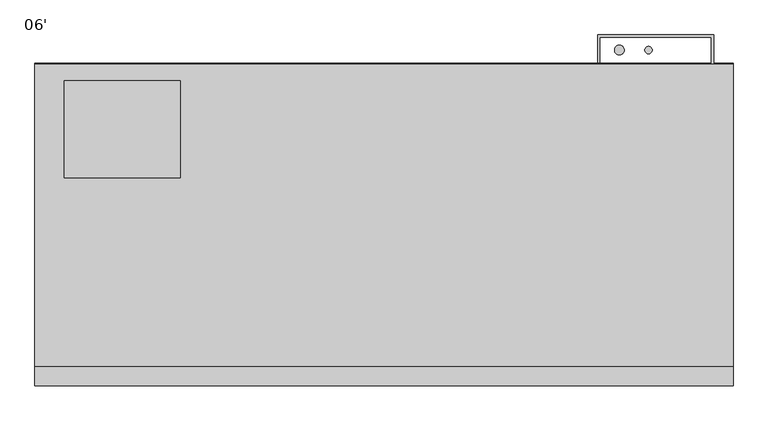
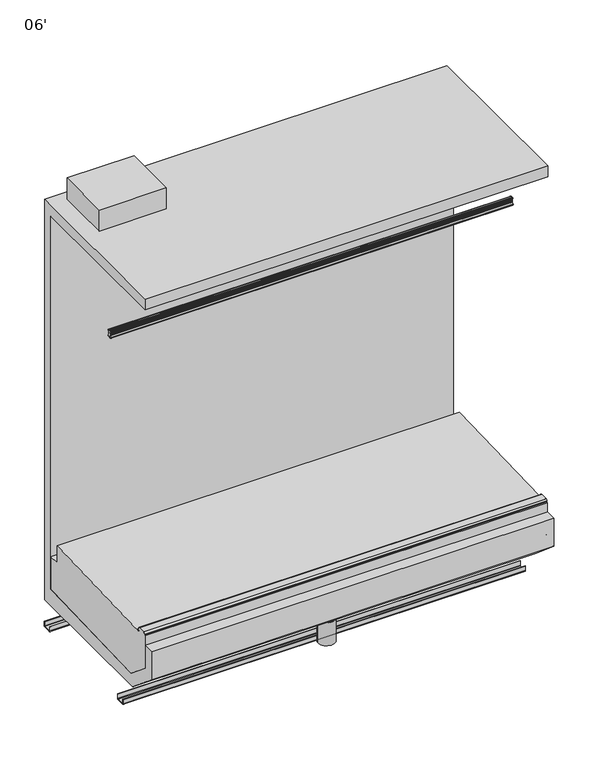
"""IFC4 building model written with IfcOpenShell, lengths in millimetres: proxy geometry, 06'."""

from ifc_helpers import new_model, si_unit, point, frame, frame_2d, origin, origin_with_axes, place, context, project, spatial, polyline, circle_curve, trimmed, segment, composite_curve, outline, extrude, source, transform, mapped, element, save
from ifc_brep_helpers import plane_surface, cylinder_surface, revolved_surface, advanced_brep


def proxy_06_51ff2843(model_context):
    return source(origin(), model_context, "Body", "SolidModel", [
        extrude(outline(polyline([(381.0, -445.9589273), (381.0, -699.9589273), (76.2, -699.9589273), (76.2, -445.9589273), (381.0, -445.9589273)])), frame((0.0, 0.0, 2053.0), z_axis=(0.0, 0.0, 1.0), x_axis=(1.0, 0.0, 0.0)), (0.0, 0.0, 1.0), 101.6),
        extrude(outline(composite_curve([segment(trimmed(circle_curve(frame_2d((124.866634, -515.3253412)), 12.7), [point((112.166634, -515.3253412))], [point((137.566634, -515.3253412))], False, "CARTESIAN"), True, "CONTINUOUS"), segment(trimmed(circle_curve(frame_2d((124.866634, -515.3253412)), 12.7), [point((137.566634, -515.3253412))], [point((112.166634, -515.3253412))], False, "CARTESIAN"), True, "CONTINUOUS")], self_intersect=False)), frame((0.0, 0.0, 68.5310382), z_axis=(0.0, 0.0, 1.0), x_axis=(1.0, 0.0, 0.0)), (0.0, 0.0, 1.0), 6.35),
        extrude(outline(composite_curve([segment(trimmed(circle_curve(frame_2d((162.966634, -515.3253412)), 12.7), [point((150.266634, -515.3253412))], [point((175.666634, -515.3253412))], False, "CARTESIAN"), True, "CONTINUOUS"), segment(trimmed(circle_curve(frame_2d((162.966634, -515.3253412)), 12.7), [point((175.666634, -515.3253412))], [point((150.266634, -515.3253412))], False, "CARTESIAN"), True, "CONTINUOUS")], self_intersect=False)), frame((0.0, 0.0, 68.5310382), z_axis=(0.0, 0.0, 1.0), x_axis=(1.0, 0.0, 0.0)), (0.0, 0.0, 1.0), 6.35),
        advanced_brep(
        [(1828.8, -500.2639658, 449.111638), (1828.8, -1126.5028947, 427.2428927), (1828.8, -1135.3036375, 427.2438499), (1828.8, -1141.6520836, 433.4891442), (1828.8, -1141.6520836, 441.532731), (1828.8, -1148.0014586, 447.882731), (1828.8, -1181.6652736, 447.8860441), (1828.8, -1188.0158985, 441.5367347), (1828.8, -1188.0165653, 435.4058904), (1828.8, -1192.8459273, 435.4064157), (1828.8, -1192.8459273, 281.2500468), (1828.8, -1082.8646206, 188.9647729), (1828.8, -451.7851762, 211.0025527), (1828.8, -451.7851762, 367.1756257), (1828.8, -500.2639658, 367.1756257), (0.0, -500.2639658, 449.111638), (0.0, -500.2639658, 367.1756257), (0.0, -451.7851762, 367.1756257), (0.0, -451.7851762, 211.0025527), (0.0, -1082.8646206, 188.9647729), (0.0, -1192.8459273, 281.2500468), (0.0, -1192.8459273, 435.4064157), (0.0, -1188.0165653, 435.4058904), (0.0, -1188.0158985, 441.5367347), (0.0, -1181.6652736, 447.8860441), (0.0, -1148.0014586, 447.882731), (0.0, -1141.6520836, 441.532731), (0.0, -1141.6520836, 433.4891442), (0.0, -1135.3036375, 427.2438499), (0.0, -1126.5028947, 427.2428927), (1727.2, -451.7851762, 260.35), (1727.2, -451.7851762, 361.95), (1727.2, -471.3589273, 260.35), (1727.2, -471.3589273, 361.95)],
        [
            (0, 1),
            (1, 2),
            (2, 3, circle_curve(frame((1828.8, -1135.3029469, 433.5938498), z_axis=(-1.0, 0.0, 0.0), x_axis=(0.0, 1.0, 0.0)), 6.35)),
            (3, 4),
            (4, 5, circle_curve(frame((1828.8, -1148.0020836, 441.532731), z_axis=(1.0, 0.0, 0.0), x_axis=(0.0, 1.0, 0.0)), 6.35)),
            (5, 6),
            (6, 7, circle_curve(frame((1828.8, -1181.6658985, 441.5360441), z_axis=(1.0, 0.0, 0.0), x_axis=(0.0, 1.0, 0.0)), 6.35)),
            (7, 8),
            (8, 9),
            (9, 10),
            (10, 11),
            (11, 12),
            (12, 13),
            (13, 14),
            (14, 0),
            (15, 16),
            (16, 17),
            (17, 18),
            (18, 19),
            (19, 20),
            (20, 21),
            (21, 22),
            (22, 23),
            (23, 24, circle_curve(frame((0.0, -1181.6658985, 441.5360441), z_axis=(-1.0, 0.0, 0.0), x_axis=(0.0, 1.0, 0.0)), 6.35)),
            (24, 25),
            (25, 26, circle_curve(frame((0.0, -1148.0020836, 441.532731), z_axis=(-1.0, 0.0, 0.0), x_axis=(0.0, 1.0, 0.0)), 6.35)),
            (26, 27),
            (27, 28, circle_curve(frame((0.0, -1135.3029469, 433.5938498), z_axis=(1.0, 0.0, 0.0), x_axis=(0.0, 1.0, 0.0)), 6.35)),
            (28, 29),
            (29, 15),
            (12, 18),
            (17, 13),
            (30, 31, circle_curve(frame((1727.2, -451.7851762, 311.15), z_axis=(0.0, -1.0, 0.0), x_axis=(0.0, 0.0, 1.0)), 50.8)),
            (31, 30, circle_curve(frame((1727.2, -451.7851762, 311.15), z_axis=(0.0, -1.0, 0.0), x_axis=(0.0, 0.0, 1.0)), 50.8)),
            (16, 14),
            (15, 0),
            (9, 21),
            (20, 10),
            (19, 11),
            (29, 1),
            (28, 2),
            (27, 3),
            (4, 26),
            (25, 5),
            (24, 6),
            (23, 7),
            (22, 8),
            (32, 33, circle_curve(frame((1727.2, -471.3589273, 311.15), z_axis=(0.0, 1.0, 0.0), x_axis=(0.0, 0.0, 1.0)), 50.8)),
            (33, 32, circle_curve(frame((1727.2, -471.3589273, 311.15), z_axis=(0.0, 1.0, 0.0), x_axis=(0.0, 0.0, 1.0)), 50.8)),
            (33, 31),
            (30, 32),
        ],
        [
            plane_surface(frame((1828.8, -1126.5028947, 427.2428927), z_axis=(1.0000000000000002, 0.0, 0.0), x_axis=(0.0, -0.9993908270190762, -0.034899496703061944))),
            plane_surface(frame((0.0, -1126.5028947, 427.2428927), z_axis=(-1.0000000000000002, 0.0, 0.0), x_axis=(0.0, 0.9993908270190762, 0.034899496703061944))),
            plane_surface(frame((1828.8, -451.7851762, 211.0025527), z_axis=(0.0, 1.0, 0.0), x_axis=(-1.0, 0.0, 0.0))),
            plane_surface(frame((1828.8, -451.7851762, 367.1756257), z_axis=(0.0, 0.0, 1.0), x_axis=(-1.0, 0.0, 0.0))),
            plane_surface(frame((1828.8, -500.2639658, 367.1756257), z_axis=(0.0, 1.0, 0.0), x_axis=(-1.0, 0.0, 0.0))),
            plane_surface(frame((1828.8, -1192.8459273, 435.4064157), z_axis=(0.0, -1.0, 0.0), x_axis=(-1.0, 0.0, 0.0))),
            plane_surface(frame((1828.8, -1192.8459273, 281.2500468), z_axis=(0.0, -0.6427876096870722, -0.7660444431185309), x_axis=(-1.0, 0.0, 0.0))),
            plane_surface(frame((1828.8, -1082.8646206, 188.9647729), z_axis=(0.0, 0.03489949670246416, -0.999390827019097), x_axis=(-1.0, 0.0, 0.0))),
            plane_surface(frame((1828.8, -500.2639658, 449.111638), z_axis=(0.0, -0.034899496703061944, 0.9993908270190762), x_axis=(-1.0, 0.0, 0.0))),
            plane_surface(frame((1828.8, -1126.5028947, 427.2428927), z_axis=(0.0, 0.00010875852496434941, 0.9999999940857917), x_axis=(-1.0, 0.0, 0.0))),
            revolved_surface(polyline([(0.0, -1128.9529469000001, 433.5938498), (1828.8, -1128.9529469000001, 433.5938498)]), (0.0, -1135.3029469, 433.5938498), (-1.0, 0.0, 0.0)),
            cylinder_surface(frame((0.0, -1148.0020836, 441.532731), z_axis=(1.0, 0.0, 0.0), x_axis=(0.0, 1.0, 0.0)), 6.35),
            plane_surface(frame((1828.8, -1148.0014586, 447.882731), z_axis=(0.0, 9.841684243872936e-05, 0.9999999951570626), x_axis=(-1.0, 0.0, 0.0))),
            cylinder_surface(frame((0.0, -1181.6658985, 441.5360441), z_axis=(1.0, 0.0, 0.0), x_axis=(0.0, 1.0, 0.0)), 6.35),
            plane_surface(frame((1828.8, -1188.0158985, 441.5367347), z_axis=(0.0, -0.9999999940857938, 0.00010875850531839876), x_axis=(-1.0, 0.0, 0.0))),
            plane_surface(frame((1828.8, -1188.0165653, 435.4058904), z_axis=(0.0, 0.00010875840003332278, 0.9999999940858052), x_axis=(-1.0, 0.0, 0.0))),
            plane_surface(frame((1828.8, -1141.6520836, 433.4891442), z_axis=(0.0, 1.0, 0.0), x_axis=(-1.0, 0.0, 0.0))),
            plane_surface(frame((1727.2, -471.3589273, 361.95), z_axis=(0.0, 1.0, 0.0), x_axis=(-1.0, 0.0, 0.0))),
            revolved_surface(polyline([(1727.2, -471.3589273, 361.95), (1727.2, -451.7851762, 361.95)]), (1727.2, -381.990496, 311.15), (0.0, -1.0, 0.0)),
        ],
        [
            (0, [[1, 2, 3, 4, 5, 6, 7, 8, 9, 10, 11, 12, 13, 14, 15]]),
            (1, [[16, 17, 18, 19, 20, 21, 22, 23, 24, 25, 26, 27, 28, 29, 30]]),
            (2, [[-13, 31, -18, 32], [33, 34]]),
            (3, [[-14, -32, -17, 35]]),
            (4, [[-15, -35, -16, 36]]),
            (5, [[-10, 37, -21, 38]]),
            (6, [[-11, -38, -20, 39]]),
            (7, [[-12, -39, -19, -31]]),
            (8, [[-1, -36, -30, 40]]),
            (9, [[-2, -40, -29, 41]]),
            (10, [[-3, -41, -28, 42]]),
            (11, [[-5, 43, -26, 44]]),
            (12, [[-6, -44, -25, 45]]),
            (13, [[-7, -45, -24, 46]]),
            (14, [[-8, -46, -23, 47]]),
            (15, [[-9, -47, -22, -37]]),
            (16, [[-4, -42, -27, -43]]),
            (17, [[48, 49]]),
            (18, [[-49, 50, -33, 51]]),
            (18, [[-48, -51, -34, -50]]),
        ],
    ),
        advanced_brep(
        [(1828.8, -1093.449669, 130.175), (1828.8, -401.5089273, 130.175), (1828.8, -401.5089273, 2053.0), (1828.8, -1193.4788424, 2053.0), (1828.8, -1193.4788424, 2000.9165757), (1828.8, -451.7851762, 2000.9165757), (1828.8, -451.7851762, 211.0025527), (1828.8, -1082.8646206, 188.9647729), (1828.8, -1192.8459273, 281.2500468), (1828.8, -1192.8459273, 391.0306785), (1828.8, -1243.8542655, 391.0306785), (1828.8, -1243.8542655, 256.3794415), (0.0, -1093.449669, 130.175), (0.0, -1243.8542655, 256.3794415), (0.0, -1243.8542655, 391.0306785), (0.0, -1192.8459273, 391.0306785), (0.0, -1192.8459273, 281.2500468), (0.0, -1082.8646206, 188.9647729), (0.0, -451.7851762, 211.0025527), (0.0, -451.7851762, 2000.9165757), (0.0, -1193.4788424, 2000.9165757), (0.0, -1193.4788424, 2053.0), (0.0, -401.5089273, 2053.0), (0.0, -401.5089273, 130.175), (1727.2, -401.5089273, 260.35), (1727.2, -401.5089273, 361.95), (1727.2, -451.7851762, 361.95), (1727.2, -451.7851762, 260.35)],
        [
            (0, 1),
            (1, 2),
            (2, 3),
            (3, 4),
            (4, 5),
            (5, 6),
            (6, 7),
            (7, 8),
            (8, 9),
            (9, 10),
            (10, 11),
            (11, 0),
            (12, 13),
            (13, 14),
            (14, 15),
            (15, 16),
            (16, 17),
            (17, 18),
            (18, 19),
            (19, 20),
            (20, 21),
            (21, 22),
            (22, 23),
            (23, 12),
            (0, 12),
            (23, 1),
            (22, 2),
            (24, 25, circle_curve(frame((1727.2, -401.5089273, 311.15), z_axis=(0.0, -1.0, 0.0), x_axis=(0.0, 0.0, 1.0)), 50.8)),
            (25, 24, circle_curve(frame((1727.2, -401.5089273, 311.15), z_axis=(0.0, -1.0, 0.0), x_axis=(0.0, 0.0, 1.0)), 50.8)),
            (21, 3),
            (20, 4),
            (19, 5),
            (18, 6),
            (26, 27, circle_curve(frame((1727.2, -451.7851762, 311.15), z_axis=(0.0, 1.0, 0.0), x_axis=(0.0, 0.0, 1.0)), 50.8)),
            (27, 26, circle_curve(frame((1727.2, -451.7851762, 311.15), z_axis=(0.0, 1.0, 0.0), x_axis=(0.0, 0.0, 1.0)), 50.8)),
            (17, 7),
            (16, 8),
            (15, 9),
            (14, 10),
            (13, 11),
            (24, 27),
            (26, 25),
        ],
        [
            plane_surface(frame((1828.8, -401.5089273, 130.175), z_axis=(1.0, 0.0, 0.0), x_axis=(0.0, 1.0, 0.0))),
            plane_surface(frame((0.0, -401.5089273, 130.175), z_axis=(-1.0, 0.0, 0.0), x_axis=(0.0, -1.0, 0.0))),
            plane_surface(frame((1828.8, -1093.449669, 130.175), z_axis=(0.0, 0.0, -1.0), x_axis=(-1.0, 0.0, 0.0))),
            plane_surface(frame((1828.8, -401.5089273, 130.175), z_axis=(0.0, 1.0, 0.0), x_axis=(-1.0, 0.0, 0.0))),
            plane_surface(frame((1828.8, -401.5089273, 2053.0), z_axis=(0.0, 0.0, 1.0), x_axis=(-1.0, 0.0, 0.0))),
            plane_surface(frame((1828.8, -1193.4788424, 2053.0), z_axis=(0.0, -1.0, 0.0), x_axis=(-1.0, 0.0, 0.0))),
            plane_surface(frame((1828.8, -1193.4788424, 2000.9165757), z_axis=(0.0, 0.0, -1.0), x_axis=(-1.0, 0.0, 0.0))),
            plane_surface(frame((1828.8, -451.7851762, 2000.9165757), z_axis=(0.0, -1.0, 0.0), x_axis=(-1.0, 0.0, 0.0))),
            plane_surface(frame((1828.8, -451.7851762, 211.0025527), z_axis=(0.0, -0.03489949670246416, 0.999390827019097), x_axis=(-1.0, 0.0, 0.0))),
            plane_surface(frame((1828.8, -1082.8646206, 188.9647729), z_axis=(0.0, 0.6427876096870722, 0.7660444431185309), x_axis=(-1.0, 0.0, 0.0))),
            plane_surface(frame((1828.8, -1192.8459273, 281.2500468), z_axis=(0.0, 1.0, 0.0), x_axis=(-1.0, 0.0, 0.0))),
            plane_surface(frame((1828.8, -1192.8459273, 391.0306785), z_axis=(0.0, 0.0, 1.0), x_axis=(-1.0, 0.0, 0.0))),
            plane_surface(frame((1828.8, -1243.8542655, 391.0306785), z_axis=(0.0, -1.0, 0.0), x_axis=(-1.0, 0.0, 0.0))),
            plane_surface(frame((1828.8, -1243.8542655, 256.3794415), z_axis=(0.0, -0.6427876096870824, -0.7660444431185224), x_axis=(-1.0, 0.0, 0.0))),
            revolved_surface(polyline([(1727.2, -451.7851762, 361.95), (1727.2, -401.5089273, 361.95)]), (1727.2, -381.990496, 311.15), (0.0, -1.0, 0.0)),
        ],
        [
            (0, [[1, 2, 3, 4, 5, 6, 7, 8, 9, 10, 11, 12]]),
            (1, [[13, 14, 15, 16, 17, 18, 19, 20, 21, 22, 23, 24]]),
            (2, [[-1, 25, -24, 26]]),
            (3, [[-2, -26, -23, 27], [28, 29]]),
            (4, [[-3, -27, -22, 30]]),
            (5, [[-4, -30, -21, 31]]),
            (6, [[-5, -31, -20, 32]]),
            (7, [[-6, -32, -19, 33], [34, 35]]),
            (8, [[-7, -33, -18, 36]]),
            (9, [[-8, -36, -17, 37]]),
            (10, [[-9, -37, -16, 38]]),
            (11, [[-10, -38, -15, 39]]),
            (12, [[-11, -39, -14, 40]]),
            (13, [[-12, -40, -13, -25]]),
            (14, [[41, -34, 42, -28]]),
            (14, [[-41, -29, -42, -35]]),
        ],
    ),
        extrude(outline(composite_curve([segment(polyline([(-401.5089273, 24.892), (-398.7403273, 24.892), (-398.7403273, 5.1562)]), True, "CONTINUOUS"), segment(trimmed(circle_curve(frame_2d((-403.8965273, 5.1562)), 5.1562), [point((-398.7403273, 5.1562))], [point((-399.435967, 2.5697351))], False, "CARTESIAN"), True, "CONTINUOUS"), segment(trimmed(circle_curve(frame_2d((-403.8965273, 5.1562)), 5.1562), [point((-399.435967, 2.5697351))], [point((-403.8965273, 0.0))], False, "CARTESIAN"), True, "CONTINUOUS"), segment(polyline([(-403.8965273, 0.0), (-438.8088273, 0.0)]), True, "CONTINUOUS"), segment(trimmed(circle_curve(frame_2d((-438.8088273, 5.1562)), 5.1562), [point((-438.8088273, 0.0))], [point((-443.9650273, 5.1562))], False, "CARTESIAN"), True, "CONTINUOUS"), segment(polyline([(-443.9650273, 5.1562), (-443.9650273, 24.9047), (-441.1964273, 24.9047), (-441.1964273, 5.1562)]), True, "CONTINUOUS"), segment(trimmed(circle_curve(frame_2d((-438.8088273, 5.1562)), 2.3876), [point((-441.1964273, 5.1562))], [point((-438.8088273, 2.7686))], True, "CARTESIAN"), True, "CONTINUOUS"), segment(polyline([(-438.8088273, 2.7686), (-403.8965273, 2.7686)]), True, "CONTINUOUS"), segment(trimmed(circle_curve(frame_2d((-403.8965273, 5.1562)), 2.3876), [point((-403.8965273, 2.7686))], [point((-401.5089273, 5.1562))], True, "CARTESIAN"), True, "CONTINUOUS"), segment(polyline([(-401.5089273, 5.1562), (-401.5089273, 24.892)]), True, "CONTINUOUS")], self_intersect=False)), frame((0.0, 0.0, 0.0), z_axis=(1.0, 0.0, 0.0), x_axis=(0.0, 1.0, 0.0)), (0.0, 0.0, 1.0), 1828.8),
        extrude(outline(composite_curve([segment(trimmed(circle_curve(frame_2d((914.4, -1036.5089273)), 38.1), [point((876.3, -1036.5089273))], [point((952.5, -1036.5089273))], False, "CARTESIAN"), True, "CONTINUOUS"), segment(trimmed(circle_curve(frame_2d((914.4, -1036.5089273)), 38.1), [point((952.5, -1036.5089273))], [point((876.3, -1036.5089273))], False, "CARTESIAN"), True, "CONTINUOUS")], self_intersect=False)), origin_with_axes(), (0.0, 0.0, 1.0), 109.7534),
        extrude(outline(composite_curve([segment(trimmed(circle_curve(frame_2d((311.15, 1750.0101353)), 12.7), [point((298.45, 1750.0101353))], [point((323.85, 1750.0101353))], False, "CARTESIAN"), True, "CONTINUOUS"), segment(trimmed(circle_curve(frame_2d((311.15, 1750.0101353)), 12.7), [point((323.85, 1750.0101353))], [point((298.45, 1750.0101353))], False, "CARTESIAN"), True, "CONTINUOUS")], self_intersect=False)), frame((0.0, -471.3589273, 0.0), z_axis=(0.0, 1.0, 0.0), x_axis=(0.0, 0.0, 1.0)), (0.0, 0.0, 1.0), 69.85),
        extrude(outline(composite_curve([segment(trimmed(circle_curve(frame_2d((311.15, 1704.3898647)), 9.525), [point((301.625, 1704.3898647))], [point((320.675, 1704.3898647))], False, "CARTESIAN"), True, "CONTINUOUS"), segment(trimmed(circle_curve(frame_2d((311.15, 1704.3898647)), 9.525), [point((320.675, 1704.3898647))], [point((301.625, 1704.3898647))], False, "CARTESIAN"), True, "CONTINUOUS")], self_intersect=False)), frame((0.0, -471.3589273, 0.0), z_axis=(0.0, 1.0, 0.0), x_axis=(0.0, 0.0, 1.0)), (0.0, 0.0, 1.0), 69.85),
        extrude(outline(polyline([(1772.218325, -330.9058645), (1480.118325, -330.9058645), (1480.118325, -398.7403273), (1473.768325, -398.7403273), (1473.768325, -325.3089273), (1778.568325, -325.3089273), (1778.568325, -401.5089273), (1772.218325, -401.5089273), (1772.218325, -330.9058645)])), frame((0.0, 0.0, 206.3320589), z_axis=(0.0, 0.0, 1.0), x_axis=(1.0, 0.0, 0.0)), (0.0, 0.0, 1.0), 1452.7159789),
        extrude(outline(composite_curve([segment(trimmed(circle_curve(frame_2d((1530.918325, -364.899036)), 12.7), [point((1518.218325, -364.899036))], [point((1543.618325, -364.899036))], False, "CARTESIAN"), True, "CONTINUOUS"), segment(trimmed(circle_curve(frame_2d((1530.918325, -364.899036)), 12.7), [point((1543.618325, -364.899036))], [point((1518.218325, -364.899036))], False, "CARTESIAN"), True, "CONTINUOUS")], self_intersect=False)), frame((0.0, 0.0, 1562.7753116), z_axis=(0.0, 0.0, 1.0), x_axis=(1.0, 0.0, 0.0)), (0.0, 0.0, 1.0), 159.9413001),
        extrude(outline(composite_curve([segment(trimmed(circle_curve(frame_2d((1607.118325, -364.899036)), 9.525), [point((1597.593325, -364.899036))], [point((1616.643325, -364.899036))], False, "CARTESIAN"), True, "CONTINUOUS"), segment(trimmed(circle_curve(frame_2d((1607.118325, -364.899036)), 9.525), [point((1616.643325, -364.899036))], [point((1597.593325, -364.899036))], False, "CARTESIAN"), True, "CONTINUOUS")], self_intersect=False)), frame((0.0, 0.0, 1562.7753116), z_axis=(0.0, 0.0, 1.0), x_axis=(1.0, 0.0, 0.0)), (0.0, 0.0, 1.0), 159.9413001),
        extrude(outline(composite_curve([segment(polyline([(-977.7506561, 24.892), (-974.9820561, 24.892), (-974.9820561, 5.1562)]), True, "CONTINUOUS"), segment(trimmed(circle_curve(frame_2d((-980.1382561, 5.1562)), 5.1562), [point((-974.9820561, 5.1562))], [point((-975.6776958, 2.5697351))], False, "CARTESIAN"), True, "CONTINUOUS"), segment(trimmed(circle_curve(frame_2d((-980.1382561, 5.1562)), 5.1562), [point((-975.6776958, 2.5697351))], [point((-980.1382561, 0.0))], False, "CARTESIAN"), True, "CONTINUOUS"), segment(polyline([(-980.1382561, 0.0), (-1015.0505561, 0.0)]), True, "CONTINUOUS"), segment(trimmed(circle_curve(frame_2d((-1015.0505561, 5.1562)), 5.1562), [point((-1015.0505561, 0.0))], [point((-1020.2067561, 5.1562))], False, "CARTESIAN"), True, "CONTINUOUS"), segment(polyline([(-1020.2067561, 5.1562), (-1020.2067561, 24.9047), (-1017.4381561, 24.9047), (-1017.4381561, 5.1562)]), True, "CONTINUOUS"), segment(trimmed(circle_curve(frame_2d((-1015.0505561, 5.1562)), 2.3876), [point((-1017.4381561, 5.1562))], [point((-1015.0505561, 2.7686))], True, "CARTESIAN"), True, "CONTINUOUS"), segment(polyline([(-1015.0505561, 2.7686), (-980.1382561, 2.7686)]), True, "CONTINUOUS"), segment(trimmed(circle_curve(frame_2d((-980.1382561, 5.1562)), 2.3876), [point((-980.1382561, 2.7686))], [point((-977.7506561, 5.1562))], True, "CARTESIAN"), True, "CONTINUOUS"), segment(polyline([(-977.7506561, 5.1562), (-977.7506561, 24.892)]), True, "CONTINUOUS")], self_intersect=False)), frame((0.0, 0.0, 0.0), z_axis=(1.0, 0.0, 0.0), x_axis=(0.0, 1.0, 0.0)), (0.0, 0.0, 1.0), 1828.8),
        advanced_brep(
        [(1828.8, -902.6931295, 1727.3075286), (1828.8, -901.7243099, 1727.6885286), (1828.8, -902.8390735, 1730.5231871), (1828.8, -905.9012623, 1732.6167077), (1828.8, -908.3652606, 1732.6247138), (1828.8, -908.3652606, 1704.0828354), (1828.8, -910.4874517, 1701.5774341), (1828.8, -914.7493725, 1700.8731899), (1828.8, -917.4469208, 1704.4916046), (1828.8, -914.3596606, 1717.0478082), (1828.8, -914.3596606, 1732.6247138), (1828.8, -919.5201751, 1732.6247138), (1828.8, -920.545241, 1732.1045613), (1828.8, -921.6281952, 1729.8544831), (1828.8, -920.6442857, 1729.6607751), (1828.8, -920.0507066, 1731.2579447), (1828.8, -919.2029406, 1731.4273519), (1828.8, -917.1624717, 1728.3298316), (1828.8, -916.2734717, 1728.3298316), (1828.8, -916.2734717, 1723.5154593), (1828.8, -915.4867719, 1723.3208329), (1828.8, -916.2860613, 1720.0900228), (1828.8, -916.3394429, 1717.0318787), (1828.8, -916.382618, 1715.9093735), (1828.8, -916.5259319, 1714.2657553), (1828.8, -916.9841164, 1711.5098777), (1828.8, -917.3803385, 1709.9083074), (1828.8, -921.1921567, 1701.6305848), (1828.8, -922.0946495, 1701.7496918), (1828.8, -922.5752577, 1703.1954368), (1828.8, -923.5448561, 1702.9314817), (1828.8, -923.1493051, 1701.7804452), (1828.8, -917.5263496, 1698.0213504), (1828.8, -904.9718522, 1700.0874013), (1828.8, -902.4051937, 1702.2161722), (1828.8, -901.4299592, 1704.8954615), (1828.8, -902.4324233, 1705.2603286), (1828.8, -903.2891388, 1703.4720652), (1828.8, -906.910186, 1704.3817952), (1828.8, -907.0320908, 1728.1919806), (1828.8, -903.357335, 1728.9956276), (0.0, -902.6931295, 1727.3075286), (0.0, -903.357335, 1728.9956276), (0.0, -907.0320908, 1728.1919806), (0.0, -906.910186, 1704.3817952), (0.0, -903.2891388, 1703.4720652), (0.0, -902.4324233, 1705.2603286), (0.0, -901.4299592, 1704.8954615), (0.0, -902.4051937, 1702.2161722), (0.0, -904.9718522, 1700.0874013), (0.0, -917.5263496, 1698.0213504), (0.0, -923.149286, 1701.7804537), (0.0, -923.5448561, 1702.9314817), (0.0, -922.5752577, 1703.1954368), (0.0, -922.0946495, 1701.7496918), (0.0, -921.1921848, 1701.6306037), (0.0, -917.3803385, 1709.9083074), (0.0, -916.9841164, 1711.5098777), (0.0, -916.5259319, 1714.2657553), (0.0, -916.382618, 1715.9093735), (0.0, -916.3394429, 1717.0318787), (0.0, -916.2860613, 1720.0900228), (0.0, -915.4867719, 1723.3208329), (0.0, -916.2734717, 1723.5154593), (0.0, -916.2734717, 1728.3298316), (0.0, -917.1624717, 1728.3298316), (0.0, -919.2029343, 1731.4273578), (0.0, -920.0507066, 1731.2579447), (0.0, -920.6442857, 1729.6607751), (0.0, -921.6281903, 1729.8544818), (0.0, -920.5452539, 1732.1045707), (0.0, -919.5201751, 1732.6247012), (0.0, -914.3596606, 1732.6247138), (0.0, -914.3596606, 1717.0478082), (0.0, -917.4469208, 1704.4916046), (0.0, -914.7493725, 1700.8731899), (0.0, -910.4874517, 1701.5774341), (0.0, -908.3652606, 1704.0828354), (0.0, -908.3652606, 1732.6247138), (0.0, -905.9012623, 1732.6167077), (0.0, -902.8390735, 1730.5231871), (0.0, -901.7243099, 1727.6885286)],
        [
            (0, 1),
            (1, 2),
            (2, 3, circle_curve(frame((1828.8, -905.9119913, 1729.3147251), z_axis=(1.0, 0.0, 0.0), x_axis=(0.0, 1.0, 0.0)), 3.302)),
            (3, 4),
            (4, 5),
            (5, 6, circle_curve(frame((1828.8, -910.9052606, 1704.0828354), z_axis=(-1.0, 0.0, 0.0), x_axis=(0.0, 1.0, 0.0)), 2.54)),
            (6, 7),
            (7, 8, circle_curve(frame((1828.8, -915.163469, 1703.3792046), z_axis=(-1.0, 0.0, 0.0), x_axis=(0.0, 1.0, 0.0)), 2.5399972)),
            (8, 9, circle_curve(frame((1828.8, -945.8394817, 1718.130276), z_axis=(1.0, 0.0, 0.0), x_axis=(0.0, 1.0, 0.0)), 31.4984265)),
            (9, 10),
            (10, 11),
            (11, 12, circle_curve(frame((1828.8, -919.5202548, 1731.3547138), z_axis=(1.0, 0.0, 0.0), x_axis=(0.0, 1.0, 0.0)), 1.2699874)),
            (12, 13, circle_curve(frame((1828.8, -915.0105356, 1728.0551268), z_axis=(1.0, 0.0, 0.0), x_axis=(0.0, 1.0, 0.0)), 6.8579226)),
            (13, 14, circle_curve(frame((1828.8, -921.143137, 1729.722586), z_axis=(1.0, 0.0, 0.0), x_axis=(0.0, 1.0, 0.0)), 0.5026661)),
            (14, 15),
            (15, 16, circle_curve(frame((1828.8, -919.5745346, 1731.080978), z_axis=(-1.0, 0.0, 0.0), x_axis=(0.0, 1.0, 0.0)), 0.5079931)),
            (16, 17, circle_curve(frame((1828.8, -927.3217632, 1723.8583356), z_axis=(-1.0, 0.0, 0.0), x_axis=(0.0, 1.0, 0.0)), 11.0997964)),
            (17, 18),
            (18, 19),
            (19, 20),
            (20, 21),
            (21, 22),
            (22, 23, circle_curve(frame((1828.8, -944.909409, 1717.568686), z_axis=(-1.0, 0.0, 0.0), x_axis=(0.0, 1.0, 0.0)), 28.5750087)),
            (23, 24, circle_curve(frame((1828.8, -916.847274, 1715.1218316), z_axis=(-1.0, 0.0, 0.0), x_axis=(0.0, 1.0, 0.0)), 0.9144)),
            (24, 25, circle_curve(frame((1828.8, -944.909409, 1717.568686), z_axis=(-1.0, 0.0, 0.0), x_axis=(0.0, 1.0, 0.0)), 28.5750087)),
            (25, 26, circle_curve(frame((1828.8, -917.5651726, 1710.8038316), z_axis=(-1.0, 0.0, 0.0), x_axis=(0.0, 1.0, 0.0)), 0.9144)),
            (26, 27, circle_curve(frame((1828.8, -944.909409, 1717.568686), z_axis=(-1.0, 0.0, 0.0), x_axis=(0.0, 1.0, 0.0)), 28.5750087)),
            (27, 28, circle_curve(frame((1828.8, -921.6139006, 1701.9138278), z_axis=(-1.0, 0.0, 0.0), x_axis=(0.0, 1.0, 0.0)), 0.5079962)),
            (28, 29),
            (29, 30, circle_curve(frame((1828.8, -923.0561634, 1703.049157), z_axis=(1.0, 0.0, 0.0), x_axis=(0.0, 1.0, 0.0)), 0.502661)),
            (30, 31, circle_curve(frame((1828.8, -916.8870114, 1704.575951), z_axis=(1.0, 0.0, 0.0), x_axis=(0.0, 1.0, 0.0)), 6.857928)),
            (31, 32, circle_curve(frame((1828.8, -917.3508154, 1704.3689156), z_axis=(1.0, 0.0, 0.0), x_axis=(0.0, 1.0, 0.0)), 6.3499919)),
            (32, 33),
            (33, 34, circle_curve(frame((1828.8, -905.508039, 1703.3455768), z_axis=(1.0, 0.0, 0.0), x_axis=(0.0, 1.0, 0.0)), 3.302)),
            (34, 35),
            (35, 36),
            (36, 37),
            (37, 38, circle_curve(frame((1828.8, -905.0071585, 1704.2951286), z_axis=(-1.0, 0.0, 0.0), x_axis=(0.0, 1.0, 0.0)), 1.905)),
            (38, 39, circle_curve(frame((1828.8, -1141.9102596, 1715.0840326), z_axis=(1.0, 0.0, 0.0), x_axis=(0.0, 1.0, 0.0)), 235.2436449)),
            (39, 40, circle_curve(frame((1828.8, -905.1300505, 1728.2981286), z_axis=(-1.0, 0.0, 0.0), x_axis=(0.0, 1.0, 0.0)), 1.905)),
            (40, 0),
            (41, 42),
            (42, 43, circle_curve(frame((0.0, -905.1300505, 1728.2981286), z_axis=(1.0, 0.0, 0.0), x_axis=(0.0, 1.0, 0.0)), 1.905)),
            (43, 44, circle_curve(frame((0.0, -1141.9102596, 1715.0840326), z_axis=(-1.0, 0.0, 0.0), x_axis=(0.0, 1.0, 0.0)), 235.2436449)),
            (44, 45, circle_curve(frame((0.0, -905.0071585, 1704.2951286), z_axis=(1.0, 0.0, 0.0), x_axis=(0.0, 1.0, 0.0)), 1.905)),
            (45, 46),
            (46, 47),
            (47, 48),
            (48, 49, circle_curve(frame((0.0, -905.508039, 1703.3455768), z_axis=(-1.0, 0.0, 0.0), x_axis=(0.0, 1.0, 0.0)), 3.302)),
            (49, 50),
            (50, 51, circle_curve(frame((0.0, -917.3508154, 1704.3689156), z_axis=(-1.0, 0.0, 0.0), x_axis=(0.0, 1.0, 0.0)), 6.3499919)),
            (51, 52, circle_curve(frame((0.0, -916.8870114, 1704.575951), z_axis=(-1.0, 0.0, 0.0), x_axis=(0.0, 1.0, 0.0)), 6.857928)),
            (52, 53, circle_curve(frame((0.0, -923.0561634, 1703.049157), z_axis=(-1.0, 0.0, 0.0), x_axis=(0.0, 1.0, 0.0)), 0.502661)),
            (53, 54),
            (54, 55, circle_curve(frame((0.0, -921.6139006, 1701.9138278), z_axis=(1.0, 0.0, 0.0), x_axis=(0.0, 1.0, 0.0)), 0.5079962)),
            (55, 56, circle_curve(frame((0.0, -944.909409, 1717.568686), z_axis=(1.0, 0.0, 0.0), x_axis=(0.0, 1.0, 0.0)), 28.5750087)),
            (56, 57, circle_curve(frame((0.0, -917.5651726, 1710.8038316), z_axis=(1.0, 0.0, 0.0), x_axis=(0.0, 1.0, 0.0)), 0.9144)),
            (57, 58, circle_curve(frame((0.0, -944.909409, 1717.568686), z_axis=(1.0, 0.0, 0.0), x_axis=(0.0, 1.0, 0.0)), 28.5750087)),
            (58, 59, circle_curve(frame((0.0, -916.847274, 1715.1218316), z_axis=(1.0, 0.0, 0.0), x_axis=(0.0, 1.0, 0.0)), 0.9144)),
            (59, 60, circle_curve(frame((0.0, -944.909409, 1717.568686), z_axis=(1.0, 0.0, 0.0), x_axis=(0.0, 1.0, 0.0)), 28.5750087)),
            (60, 61),
            (61, 62),
            (62, 63),
            (63, 64),
            (64, 65),
            (65, 66, circle_curve(frame((0.0, -927.3217632, 1723.8583356), z_axis=(1.0, 0.0, 0.0), x_axis=(0.0, 1.0, 0.0)), 11.0997964)),
            (66, 67, circle_curve(frame((0.0, -919.5745346, 1731.080978), z_axis=(1.0, 0.0, 0.0), x_axis=(0.0, 1.0, 0.0)), 0.5079931)),
            (67, 68),
            (68, 69, circle_curve(frame((0.0, -921.143137, 1729.722586), z_axis=(-1.0, 0.0, 0.0), x_axis=(0.0, 1.0, 0.0)), 0.5026661)),
            (69, 70, circle_curve(frame((0.0, -915.0105356, 1728.0551268), z_axis=(-1.0, 0.0, 0.0), x_axis=(0.0, 1.0, 0.0)), 6.8579226)),
            (70, 71, circle_curve(frame((0.0, -919.5202548, 1731.3547138), z_axis=(-1.0, 0.0, 0.0), x_axis=(0.0, 1.0, 0.0)), 1.2699874)),
            (71, 72),
            (72, 73),
            (73, 74, circle_curve(frame((0.0, -945.8394817, 1718.130276), z_axis=(-1.0, 0.0, 0.0), x_axis=(0.0, 1.0, 0.0)), 31.4984265)),
            (74, 75, circle_curve(frame((0.0, -915.163469, 1703.3792046), z_axis=(1.0, 0.0, 0.0), x_axis=(0.0, 1.0, 0.0)), 2.5399972)),
            (75, 76),
            (76, 77, circle_curve(frame((0.0, -910.9052606, 1704.0828354), z_axis=(1.0, 0.0, 0.0), x_axis=(0.0, 1.0, 0.0)), 2.54)),
            (77, 78),
            (78, 79),
            (79, 80, circle_curve(frame((0.0, -905.9119913, 1729.3147251), z_axis=(-1.0, 0.0, 0.0), x_axis=(0.0, 1.0, 0.0)), 3.302)),
            (80, 81),
            (81, 41),
            (0, 41),
            (81, 1),
            (80, 2),
            (79, 3),
            (78, 4),
            (77, 5),
            (76, 6),
            (75, 7),
            (74, 8),
            (73, 9),
            (72, 10),
            (71, 11),
            (70, 12),
            (69, 13),
            (68, 14),
            (67, 15),
            (66, 16),
            (65, 17),
            (64, 18),
            (63, 19),
            (62, 20),
            (61, 21),
            (60, 22),
            (59, 23),
            (58, 24),
            (57, 25),
            (56, 26),
            (55, 27),
            (54, 28),
            (53, 29),
            (52, 30),
            (51, 31),
            (50, 32),
            (49, 33),
            (48, 34),
            (47, 35),
            (46, 36),
            (45, 37),
            (44, 38),
            (43, 39),
            (42, 40),
        ],
        [
            plane_surface(frame((1828.8, -901.7243099, 1727.6885286), z_axis=(1.0, 0.0, 0.0), x_axis=(0.0, 0.9306231900674675, 0.36597879461609556))),
            plane_surface(frame((0.0, -901.7243099, 1727.6885286), z_axis=(-1.0, 0.0, 0.0), x_axis=(0.0, -0.9306231900674675, -0.36597879461609556))),
            plane_surface(frame((1828.8, -902.6931295, 1727.3075286), z_axis=(0.0, 0.36597879461609556, -0.9306231900674675), x_axis=(-1.0, 0.0, 0.0))),
            plane_surface(frame((1828.8, -901.7243099, 1727.6885286), z_axis=(0.0, 0.9306231900759734, 0.3659787945944668), x_axis=(-1.0, 0.0, 0.0))),
            cylinder_surface(frame((0.0, -905.9119913, 1729.3147251), z_axis=(1.0, 0.0, 0.0), x_axis=(0.0, 1.0, 0.0)), 3.302),
            plane_surface(frame((1828.8, -905.9012623, 1732.6167077), z_axis=(0.0, 0.0032492421037266625, 0.9999947211989428), x_axis=(-1.0, 0.0, 0.0))),
            plane_surface(frame((1828.8, -908.3652606, 1732.6247138), z_axis=(0.0, -1.0, 0.0), x_axis=(-1.0, 0.0, 0.0))),
            revolved_surface(polyline([(0.0, -908.3652606, 1704.0828354), (1828.8, -908.3652606, 1704.0828354)]), (0.0, -910.9052606, 1704.0828354), (-1.0, 0.0, 0.0)),
            plane_surface(frame((1828.8, -910.4874517, 1701.5774341), z_axis=(0.0, -0.16303029417402248, 0.9866210636214553), x_axis=(-1.0, 0.0, 0.0))),
            revolved_surface(polyline([(0.0, -912.6234718, 1703.3792046), (1828.8, -912.6234718, 1703.3792046)]), (0.0, -915.163469, 1703.3792046), (-1.0, 0.0, 0.0)),
            cylinder_surface(frame((0.0, -945.8394817, 1718.130276), z_axis=(1.0, 0.0, 0.0), x_axis=(0.0, 1.0, 0.0)), 31.4984265),
            plane_surface(frame((1828.8, -914.3596606, 1717.0478082), z_axis=(0.0, 1.0, 0.0), x_axis=(-1.0, 0.0, 0.0))),
            plane_surface(frame((1828.8, -914.3596606, 1732.6247138), z_axis=(0.0, -1.119160319973389e-12, 1.0), x_axis=(-1.0, 0.0, 0.0))),
            cylinder_surface(frame((0.0, -919.5202548, 1731.3547138), z_axis=(1.0, 0.0, 0.0), x_axis=(0.0, 1.0, 0.0)), 1.2699874),
            cylinder_surface(frame((0.0, -915.0105356, 1728.0551268), z_axis=(1.0, 0.0, 0.0), x_axis=(0.0, 1.0, 0.0)), 6.8579226),
            cylinder_surface(frame((0.0, -921.143137, 1729.722586), z_axis=(1.0, 0.0, 0.0), x_axis=(0.0, 1.0, 0.0)), 0.5026661),
            plane_surface(frame((1828.8, -920.6442857, 1729.6607751), z_axis=(0.0, 0.9373592211117492, -0.34836430729449747), x_axis=(-1.0, 0.0, 0.0))),
            revolved_surface(polyline([(0.0, -919.0665415, 1731.080978), (1828.8, -919.0665415, 1731.080978)]), (0.0, -919.5745346, 1731.080978), (-1.0, 0.0, 0.0)),
            revolved_surface(polyline([(0.0, -916.2219668, 1723.8583356), (1828.8, -916.2219668, 1723.8583356)]), (0.0, -927.3217632, 1723.8583356), (-1.0, 0.0, 0.0)),
            plane_surface(frame((1828.8, -917.1624717, 1728.3298316), z_axis=(0.0, 3.0451831539108525e-12, -1.0), x_axis=(-1.0, 0.0, 0.0))),
            plane_surface(frame((1828.8, -916.2734717, 1728.3298316), z_axis=(0.0, -1.0, 0.0), x_axis=(-1.0, 0.0, 0.0))),
            plane_surface(frame((1828.8, -916.2734717, 1723.5154593), z_axis=(0.0, -0.24015578728025933, -0.9707343600778736), x_axis=(-1.0, 0.0, 0.0))),
            plane_surface(frame((1828.8, -915.4867719, 1723.3208329), z_axis=(0.0, -0.9707343600778305, 0.2401557872804336), x_axis=(-1.0, 0.0, 0.0))),
            plane_surface(frame((1828.8, -916.2860613, 1720.0900228), z_axis=(0.0, -0.9998476868214559, 0.017452883938876798), x_axis=(-1.0, 0.0, 0.0))),
            revolved_surface(polyline([(0.0, -916.3344003, 1717.568686), (1828.8, -916.3344003, 1717.568686)]), (0.0, -944.909409, 1717.568686), (-1.0, 0.0, 0.0)),
            revolved_surface(polyline([(0.0, -915.932874, 1715.1218316), (1828.8, -915.932874, 1715.1218316)]), (0.0, -916.847274, 1715.1218316), (-1.0, 0.0, 0.0)),
            revolved_surface(polyline([(0.0, -916.6507726, 1710.8038316), (1828.8, -916.6507726, 1710.8038316)]), (0.0, -917.5651726, 1710.8038316), (-1.0, 0.0, 0.0)),
            revolved_surface(polyline([(0.0, -921.1059044, 1701.9138278), (1828.8, -921.1059044, 1701.9138278)]), (0.0, -921.6139006, 1701.9138278), (-1.0, 0.0, 0.0)),
            plane_surface(frame((1828.8, -922.0946495, 1701.7496918), z_axis=(0.0, 0.9489403078347962, 0.3154556897036448), x_axis=(-1.0, 0.0, 0.0))),
            cylinder_surface(frame((0.0, -923.0561634, 1703.049157), z_axis=(1.0, 0.0, 0.0), x_axis=(0.0, 1.0, 0.0)), 0.502661),
            cylinder_surface(frame((0.0, -916.8870114, 1704.575951), z_axis=(1.0, 0.0, 0.0), x_axis=(0.0, 1.0, 0.0)), 6.857928),
            cylinder_surface(frame((0.0, -917.3508154, 1704.3689156), z_axis=(1.0, 0.0, 0.0), x_axis=(0.0, 1.0, 0.0)), 6.3499919),
            plane_surface(frame((1828.8, -917.5263496, 1698.0213504), z_axis=(0.0, 0.16238245504540536, -0.9867278947579353), x_axis=(-1.0, 0.0, 0.0))),
            cylinder_surface(frame((0.0, -905.508039, 1703.3455768), z_axis=(1.0, 0.0, 0.0), x_axis=(0.0, 1.0, 0.0)), 3.302),
            plane_surface(frame((1828.8, -902.4051937, 1702.2161722), z_axis=(0.0, 0.9396866512804775, -0.3420365439617273), x_axis=(-1.0, 0.0, 0.0))),
            plane_surface(frame((1828.8, -901.4299592, 1704.8954615), z_axis=(0.0, 0.342020143308865, 0.9396926207920244), x_axis=(-1.0, 0.0, 0.0))),
            plane_surface(frame((1828.8, -902.4324233, 1705.2603286), z_axis=(0.0, -0.9018476084868239, 0.4320542686591541), x_axis=(-1.0, 0.0, 0.0))),
            revolved_surface(polyline([(0.0, -903.1021585, 1704.2951286), (1828.8, -903.1021585, 1704.2951286)]), (0.0, -905.0071585, 1704.2951286), (-1.0, 0.0, 0.0)),
            cylinder_surface(frame((0.0, -1141.9102596, 1715.0840326), z_axis=(1.0, 0.0, 0.0), x_axis=(0.0, 1.0, 0.0)), 235.2436449),
            revolved_surface(polyline([(0.0, -903.2250505000001, 1728.2981286), (1828.8, -903.2250505000001, 1728.2981286)]), (0.0, -905.1300505, 1728.2981286), (-1.0, 0.0, 0.0)),
            plane_surface(frame((1828.8, -903.357335, 1728.9956276), z_axis=(0.0, -0.93055930054145, -0.36614121343520956), x_axis=(-1.0, 0.0, 0.0))),
        ],
        [
            (0, [[1, 2, 3, 4, 5, 6, 7, 8, 9, 10, 11, 12, 13, 14, 15, 16, 17, 18, 19, 20, 21, 22, 23, 24, 25, 26, 27, 28, 29, 30, 31, 32, 33, 34, 35, 36, 37, 38, 39, 40, 41]]),
            (1, [[42, 43, 44, 45, 46, 47, 48, 49, 50, 51, 52, 53, 54, 55, 56, 57, 58, 59, 60, 61, 62, 63, 64, 65, 66, 67, 68, 69, 70, 71, 72, 73, 74, 75, 76, 77, 78, 79, 80, 81, 82]]),
            (2, [[-1, 83, -82, 84]]),
            (3, [[-2, -84, -81, 85]]),
            (4, [[-3, -85, -80, 86]]),
            (5, [[-4, -86, -79, 87]]),
            (6, [[-5, -87, -78, 88]]),
            (7, [[-6, -88, -77, 89]]),
            (8, [[-7, -89, -76, 90]]),
            (9, [[-8, -90, -75, 91]]),
            (10, [[-9, -91, -74, 92]]),
            (11, [[-10, -92, -73, 93]]),
            (12, [[-11, -93, -72, 94]]),
            (13, [[-12, -94, -71, 95]]),
            (14, [[-13, -95, -70, 96]]),
            (15, [[-14, -96, -69, 97]]),
            (16, [[-15, -97, -68, 98]]),
            (17, [[-16, -98, -67, 99]]),
            (18, [[-17, -99, -66, 100]]),
            (19, [[-18, -100, -65, 101]]),
            (20, [[-19, -101, -64, 102]]),
            (21, [[-20, -102, -63, 103]]),
            (22, [[-21, -103, -62, 104]]),
            (23, [[-22, -104, -61, 105]]),
            (24, [[-23, -105, -60, 106]]),
            (25, [[-24, -106, -59, 107]]),
            (24, [[-25, -107, -58, 108]]),
            (26, [[-26, -108, -57, 109]]),
            (24, [[-27, -109, -56, 110]]),
            (27, [[-28, -110, -55, 111]]),
            (28, [[-29, -111, -54, 112]]),
            (29, [[-30, -112, -53, 113]]),
            (30, [[-31, -113, -52, 114]]),
            (31, [[-32, -114, -51, 115]]),
            (32, [[-33, -115, -50, 116]]),
            (33, [[-34, -116, -49, 117]]),
            (34, [[-35, -117, -48, 118]]),
            (35, [[-36, -118, -47, 119]]),
            (36, [[-37, -119, -46, 120]]),
            (37, [[-38, -120, -45, 121]]),
            (38, [[-39, -121, -44, 122]]),
            (39, [[-40, -122, -43, 123]]),
            (40, [[-41, -123, -42, -83]]),
        ],
    ),
    ])


if __name__ == "__main__":
    model = new_model("IFC4")
    model_context = context("Model", 3, world=origin())
    ifc_project = project(units=[si_unit("LENGTHUNIT", "METRE", prefix="MILLI")], contexts=[model_context])
    site = spatial("IfcSite", under=ifc_project)
    building = spatial("IfcBuilding", under=site)
    placement = place(None, origin())
    proxy_06_shape = proxy_06_51ff2843(model_context)
    element("IfcBuildingElementProxy", 1, Name="06'", ObjectType="06'", at=placement, inside=building, context=model_context, shape_type="MappedRepresentation", body=[
        mapped(proxy_06_shape, transform((0.0, 0.0, 0.0), x_axis=(1.0, 0.0, 0.0), y_axis=(0.0, 1.0, 0.0), z_axis=(0.0, 0.0, 1.0))),
    ])
    save(model, "model.ifc")
